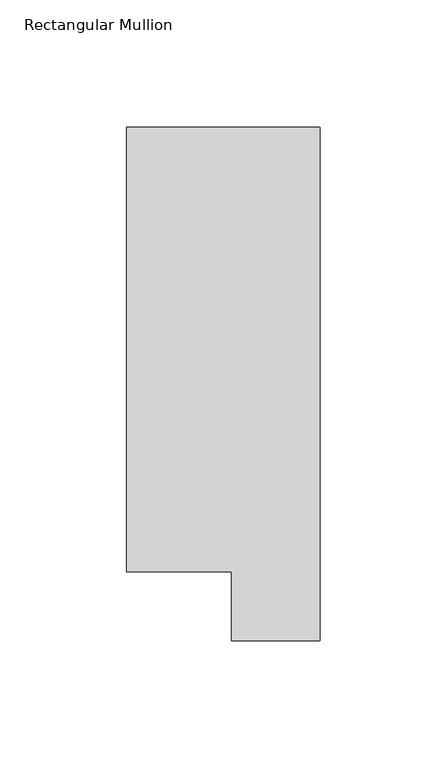
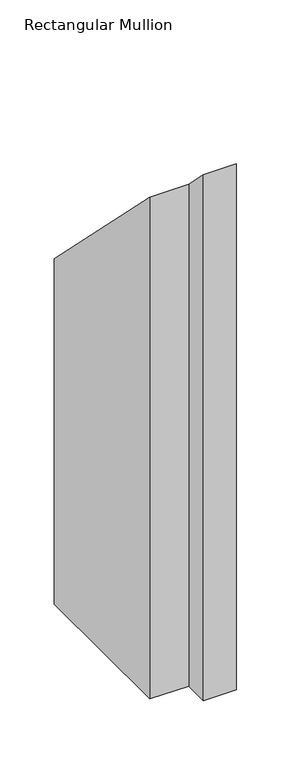
"""IFC4 building model written with IfcOpenShell, lengths in millimetres: member geometry, Rectangular Mullion."""

import ifcopenshell
import ifcopenshell.guid

model = None  # the IFC model being written
_history = None  # IfcOwnerHistory: only IFC2X3 demands one
_inside = {}  # id of a spatial element -> (the spatial element, [elements in it])
_under = {}  # id of a project, library or spatial element -> (it, [spatial elements below it])
_declared = {}  # id of a project -> (the project, [libraries it declares])
_typed = {}  # id of a type object -> (the type object, [elements of that type])
_made_of = {}  # id of a material, layer set ... -> (it, [elements and type objects made of it])


def new_model(schema):
    """Start an empty IFC model of exactly this schema.

    Asked for "IFC4X3", IfcOpenShell would pick the latest addendum, in which some entities
    have other attributes; the version numbers below select the first issue.
    IFC2X3 requires an IfcOwnerHistory on every rooted entity: one is made here for all.
    """
    global model, _history
    if schema == "IFC4X3":
        model = ifcopenshell.file(schema_version=(4, 3, 0, 0))
    else:
        model = ifcopenshell.file(schema=schema)
    _inside.clear()
    _under.clear()
    _declared.clear()
    _typed.clear()
    _made_of.clear()
    _history = None
    if model.schema == "IFC2X3":
        org = make("IfcOrganization", Name="unknown")
        user = make(
            "IfcPersonAndOrganization",
            ThePerson=make("IfcPerson", FamilyName="unknown"),
            TheOrganization=org,
        )
        app = make(
            "IfcApplication",
            ApplicationDeveloper=org,
            Version="unknown",
            ApplicationFullName="unknown",
            ApplicationIdentifier="unknown",
        )
        _history = make(
            "IfcOwnerHistory",
            OwningUser=user,
            OwningApplication=app,
            ChangeAction="ADDED",
            CreationDate=0,
        )
    return model


def make(cls, **values):
    """One entity of the class cls with the attributes given. An attribute that is None is left unset."""
    return model.create_entity(
        cls, **{name: value for name, value in values.items() if value is not None}
    )


def rooted(cls, **values):
    """An entity with a GlobalId (a new one), such as an element, a storey or a relation."""
    return make(cls, GlobalId=ifcopenshell.guid.new(), OwnerHistory=_history, **values)


def si_unit(unit_type, name, prefix=None):
    """IfcSIUnit, for example si_unit("LENGTHUNIT", "METRE", prefix="MILLI")."""
    return make("IfcSIUnit", UnitType=unit_type, Prefix=prefix, Name=name)


def assignment(units):
    """IfcUnitAssignment: the units of a project."""
    return None if units is None else make("IfcUnitAssignment", Units=units)


def point(xyz):
    """IfcCartesianPoint."""
    return None if xyz is None else make("IfcCartesianPoint", Coordinates=xyz)


def direction(xyz):
    """IfcDirection."""
    return None if xyz is None else make("IfcDirection", DirectionRatios=xyz)


def frame(location, z_axis=None, x_axis=None):
    """IfcAxis2Placement3D, a coordinate frame: its origin and axes. An axis left out is left unset."""
    return make(
        "IfcAxis2Placement3D",
        Location=point(location),
        Axis=direction(z_axis),
        RefDirection=direction(x_axis),
    )


def origin():
    """The frame at (0, 0, 0) with its axes left unset."""
    return frame((0.0, 0.0, 0.0))


def place(relative_to, where):
    """IfcLocalPlacement: puts the frame where relative to a parent placement (None: the world)."""
    return make(
        "IfcLocalPlacement", PlacementRelTo=relative_to, RelativePlacement=where
    )


def context(
    kind, dimensions, precision=None, world=None, true_north=None, identifier=None
):
    """IfcGeometricRepresentationContext, for example the 3D "Model" context."""
    return make(
        "IfcGeometricRepresentationContext",
        ContextIdentifier=identifier,
        ContextType=kind,
        CoordinateSpaceDimension=dimensions,
        Precision=precision,
        WorldCoordinateSystem=world,
        TrueNorth=true_north,
    )


def project(units=None, contexts=None):
    """IfcProject with its units and contexts."""
    return rooted(
        "IfcProject",
        Name="project",
        RepresentationContexts=contexts,
        UnitsInContext=assignment(units),
    )


def spatial(cls, under=None, at=None, **own):
    """A site, building, storey or space (cls), placed at a placement, below another one or the project."""
    s = rooted(cls, ObjectPlacement=at, **own)
    if under is not None:
        _under.setdefault(under.id(), (under, []))[1].append(s)
    return s


def faces_of(points, faces, orient=None, outer=None):
    """IfcFace entities. A face is a list of loops; a loop is a list of indices into points, from 0.

    orient and outer hold one flag for each loop. By default every Orientation is true, the
    first loop of a face is its IfcFaceOuterBound and the others are IfcFaceBound.
    """
    made = []
    for i, loops in enumerate(faces):
        bounds = []
        for j, loop in enumerate(loops):
            is_outer = j == 0 if outer is None else outer[i][j]
            bounds.append(
                make(
                    "IfcFaceOuterBound" if is_outer else "IfcFaceBound",
                    Bound=make("IfcPolyLoop", Polygon=[points[k] for k in loop]),
                    Orientation=True if orient is None else orient[i][j],
                )
            )
        made.append(make("IfcFace", Bounds=bounds))
    return made


def faceted_brep(points, faces, orient=None, outer=None, voids=None):
    """IfcFacetedBrep: a solid bounded by flat faces; with voids (closed shells), ...WithVoids."""
    shared = [point(p) for p in points]
    hull = make("IfcClosedShell", CfsFaces=faces_of(shared, faces, orient, outer))
    if voids is None:
        return make("IfcFacetedBrep", Outer=hull)
    return make(
        "IfcFacetedBrepWithVoids",
        Outer=hull,
        Voids=[
            make(cls, CfsFaces=faces_of(shared, fs, o, b)) for cls, fs, o, b in voids
        ],
    )


def shape(context_of_items, identifier, shape_type, items):
    """IfcShapeRepresentation: the items that make up one representation, for example the "Body"."""
    return make(
        "IfcShapeRepresentation",
        ContextOfItems=context_of_items,
        RepresentationIdentifier=identifier,
        RepresentationType=shape_type,
        Items=items,
    )


def source(mapping_origin, context_of_items, identifier, shape_type, items):
    """IfcRepresentationMap: a shape defined once, which mapped items show again and again."""
    return make(
        "IfcRepresentationMap",
        MappingOrigin=mapping_origin,
        MappedRepresentation=shape(context_of_items, identifier, shape_type, items),
    )


def transform(
    local_origin,
    x_axis=None,
    y_axis=None,
    z_axis=None,
    scale=None,
    scale2=None,
    scale3=None,
    uniform=True,
):
    """IfcCartesianTransformationOperator3D, or its non-uniform kind. x_axis, y_axis, z_axis: its Axis1, 2, 3."""
    if uniform:
        return make(
            "IfcCartesianTransformationOperator3D",
            Axis1=direction(x_axis),
            Axis2=direction(y_axis),
            LocalOrigin=point(local_origin),
            Scale=scale,
            Axis3=direction(z_axis),
        )
    return make(
        "IfcCartesianTransformationOperator3DnonUniform",
        Axis1=direction(x_axis),
        Axis2=direction(y_axis),
        LocalOrigin=point(local_origin),
        Scale=scale,
        Axis3=direction(z_axis),
        Scale2=scale2,
        Scale3=scale3,
    )


def mapped(mapping_source, mapping_target):
    """IfcMappedItem: shows the shape of a source again, moved by a transform."""
    return make(
        "IfcMappedItem", MappingSource=mapping_source, MappingTarget=mapping_target
    )


def made_of(thing, what):
    """Note that an element or type object is made of a material, layer set ...; save() writes the relation."""
    if what is not None:
        _made_of.setdefault(what.id(), (what, []))[1].append(thing)
    return thing


def element(
    cls,
    number,
    at=None,
    inside=None,
    cuts=None,
    type_object=None,
    material=None,
    context=None,
    identifier="Body",
    shape_type=None,
    held_by="IfcProductDefinitionShape",
    body=None,
    shapes=None,
    **own,
):
    """One element of the class cls, such as IfcWall. Its Tag is "e" and its number.

    at: its placement. inside: the storey or other place that contains it. cuts: it is an
    opening in that element (IfcRelVoidsElement). A single representation is given by context,
    identifier, shape_type and body (its items); several are given by shapes. held_by: the class
    of the entity that holds the representations. save() writes the other relations.
    """
    e = rooted(cls, Tag="e%d" % number, ObjectPlacement=at, **own)
    if body is not None:
        shapes = [shape(context, identifier, shape_type, body)]
    if shapes is not None:
        e.Representation = make(held_by, Representations=shapes)
    if inside is not None:
        _inside.setdefault(inside.id(), (inside, []))[1].append(e)
    if cuts is not None:
        rooted(
            "IfcRelVoidsElement", RelatingBuildingElement=cuts, RelatedOpeningElement=e
        )
    if type_object is not None:
        _typed.setdefault(type_object.id(), (type_object, []))[1].append(e)
    return made_of(e, material)


def aggregate(whole, parts):
    """IfcRelAggregates: a whole, such as a stair, and the parts it consists of."""
    return rooted("IfcRelAggregates", RelatingObject=whole, RelatedObjects=parts)


def save(model, path):
    """Write the relations noted so far, then the file.

    IfcRelAggregates (storeys below a building ...), IfcRelContainedInSpatialStructure (elements
    in a storey), IfcRelDefinesByType, IfcRelAssociatesMaterial and IfcRelDeclares: one each for
    every whole, place, type object, material and project.
    """
    for whole, parts in _under.values():
        aggregate(whole, parts)
    for where, things in _inside.values():
        rooted(
            "IfcRelContainedInSpatialStructure",
            RelatedElements=things,
            RelatingStructure=where,
        )
    for kind, things in _typed.values():
        rooted("IfcRelDefinesByType", RelatedObjects=things, RelatingType=kind)
    for what, things in _made_of.values():
        rooted("IfcRelAssociatesMaterial", RelatedObjects=things, RelatingMaterial=what)
    for by, libraries in _declared.values():
        rooted("IfcRelDeclares", RelatingContext=by, RelatedDefinitions=libraries)
    model.write(path)


def rectangular_mullion_52cf516f(model_context):
    return source(origin(), model_context, "Body", "Brep", [
        faceted_brep([(0.0, 222.0301312, -609.6), (0.0, 19.5667312, -609.6), (-34.9123, 19.5667312, -609.6), (-34.9123, 46.7447302, -609.6), (-76.2, 46.7447302, -609.6), (-76.2, 222.0301312, -609.6), (-76.2, 222.0301312, -222.0301312), (0.0, 222.0301312, -222.0301312), (-76.2, 46.7447302, -46.7447302), (-34.9123, 46.7447302, -46.7447302), (-34.9123, 19.5667312, -19.5667312), (0.0, 19.5667312, -19.5667312)], [[[0, 1, 2, 3, 4, 5]], [[6, 7, 0, 5]], [[8, 6, 5, 4]], [[9, 8, 4, 3]], [[10, 9, 3, 2]], [[11, 10, 2, 1]], [[7, 11, 1, 0]], [[7, 6, 8, 9, 10, 11]]]),
    ])


if __name__ == "__main__":
    model = new_model("IFC4")
    model_context = context("Model", 3, world=origin())
    ifc_project = project(units=[si_unit("LENGTHUNIT", "METRE", prefix="MILLI")], contexts=[model_context])
    site = spatial("IfcSite", under=ifc_project)
    building = spatial("IfcBuilding", under=site)
    placement = place(None, origin())
    rectangular_mullion_shape = rectangular_mullion_52cf516f(model_context)
    element("IfcMember", 1, ObjectType="Rectangular Mullion", at=placement, inside=building, context=model_context, shape_type="MappedRepresentation", body=[
        mapped(rectangular_mullion_shape, transform((0.0, 0.0, 0.0), x_axis=(1.0, 0.0, 0.0), y_axis=(0.0, 1.0, 0.0), z_axis=(0.0, 0.0, 1.0))),
    ])
    save(model, "model.ifc")
